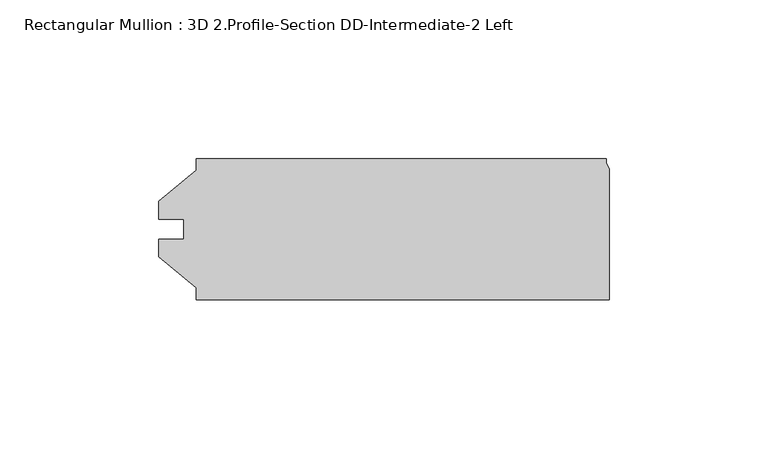
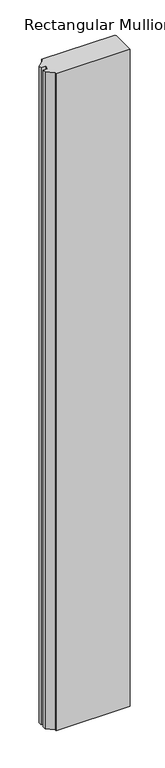
"""IFC4 building model written with IfcOpenShell, lengths in millimetres: member geometry, Rectangular Mullion : 3D 2.Profile-Section DD-Intermediate-2 Left."""

from ifc_helpers import new_model, si_unit, frame, origin, place, context, project, spatial, polyline, outline, extrude, source, transform, mapped, element, save


def rectangular_mullion_3d_2_profile_section_dd_intermediate_2_7f34d806(model_context):
    return source(origin(), model_context, "Body", "SweptSolid", [
        extrude(outline(polyline([(-134.7304426, 22.225), (-5.5714426, 22.225), (-5.5714426, 20.7843636), (-4.5554426, 19.0246), (-4.5554426, -22.225), (-134.7304426, -22.225), (-134.7304426, -18.518836), (-146.6366926, -8.7503), (-146.6366926, -3.175), (-138.6928426, -3.175), (-138.6928426, 3.175), (-146.6366926, 3.175), (-146.6366926, 8.7503), (-134.7304426, 18.518836), (-134.7304426, 22.225)])), frame((0.0, 0.0, -1219.2), z_axis=(0.0, 0.0, 1.0), x_axis=(1.0, 0.0, 0.0)), (0.0, 0.0, 1.0), 1219.2),
    ])


if __name__ == "__main__":
    model = new_model("IFC4")
    model_context = context("Model", 3, world=origin())
    ifc_project = project(units=[si_unit("LENGTHUNIT", "METRE", prefix="MILLI")], contexts=[model_context])
    site = spatial("IfcSite", under=ifc_project)
    building = spatial("IfcBuilding", under=site)
    placement = place(None, origin())
    rectangular_mullion_3d_2_profile_section_dd_intermediate_2_shape = rectangular_mullion_3d_2_profile_section_dd_intermediate_2_7f34d806(model_context)
    element("IfcMember", 1, ObjectType="Rectangular Mullion : 3D 2.Profile-Section DD-Intermediate-2 Left", at=placement, inside=building, context=model_context, shape_type="MappedRepresentation", body=[
        mapped(rectangular_mullion_3d_2_profile_section_dd_intermediate_2_shape, transform((0.0, 0.0, 0.0), x_axis=(1.0, 0.0, 0.0), y_axis=(0.0, 1.0, 0.0), z_axis=(0.0, 0.0, 1.0))),
    ])
    save(model, "model.ifc")
